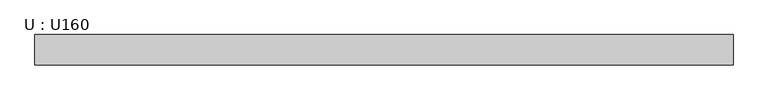
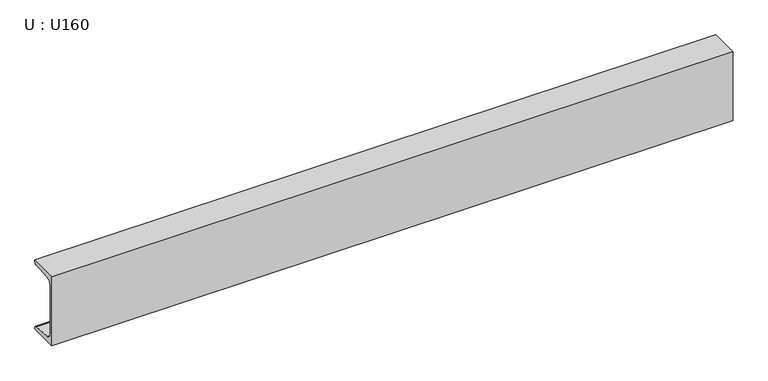
"""IFC4 building model written with IfcOpenShell, lengths in millimetres: beam geometry, U : U160."""

from ifc_helpers import new_model, si_unit, point, frame, frame_2d, origin, place, context, project, spatial, polyline, circle_curve, trimmed, segment, composite_curve, outline, extrude, source, transform, mapped, element, save


def u_u160_1ae2df04(model_context):
    return source(origin(), model_context, "Body", "SweptSolid", [
        extrude(outline(composite_curve([segment(polyline([(-18.4, 80.0), (46.6, 80.0), (46.6, 77.1756821)]), True, "CONTINUOUS"), segment(trimmed(circle_curve(frame_2d((41.1, 77.1756821)), 5.5), [point((46.6, 77.1756821))], [point((41.5382235, 71.693168))], False, "CARTESIAN"), True, "CONTINUOUS"), segment(polyline([(41.5382235, 71.693168), (-1.2366085, 68.2741277)]), True, "CONTINUOUS"), segment(trimmed(circle_curve(frame_2d((-0.4, 57.8075099)), 10.5), [point((-1.2366085, 68.2741277))], [point((-10.9, 57.8075099))], True, "CARTESIAN"), True, "CONTINUOUS"), segment(polyline([(-10.9, 57.8075099), (-10.9, -57.8075099)]), True, "CONTINUOUS"), segment(trimmed(circle_curve(frame_2d((-0.4, -57.8075099)), 10.5), [point((-10.9, -57.8075099))], [point((-1.2366085, -68.2741277))], True, "CARTESIAN"), True, "CONTINUOUS"), segment(polyline([(-1.2366085, -68.2741277), (41.5382235, -71.693168)]), True, "CONTINUOUS"), segment(trimmed(circle_curve(frame_2d((41.1, -77.1756821)), 5.5), [point((41.5382235, -71.693168))], [point((46.6, -77.1756821))], False, "CARTESIAN"), True, "CONTINUOUS"), segment(polyline([(46.6, -77.1756821), (46.6, -80.0), (-18.4, -80.0), (-18.4, 80.0)]), True, "CONTINUOUS")], self_intersect=False)), frame((-798.9999968, 0.0, 0.0), z_axis=(1.0, 0.0, 0.0), x_axis=(0.0, 1.0, 0.0)), (0.0, 0.0, 1.0), 1497.9999939),
    ])


if __name__ == "__main__":
    model = new_model("IFC4")
    model_context = context("Model", 3, world=origin())
    ifc_project = project(units=[si_unit("LENGTHUNIT", "METRE", prefix="MILLI")], contexts=[model_context])
    site = spatial("IfcSite", under=ifc_project)
    building = spatial("IfcBuilding", under=site)
    placement = place(None, origin())
    u_u160_shape = u_u160_1ae2df04(model_context)
    element("IfcBeam", 1, ObjectType="U : U160", at=placement, inside=building, context=model_context, shape_type="MappedRepresentation", body=[
        mapped(u_u160_shape, transform((0.0, 0.0, 0.0), x_axis=(1.0, 0.0, 0.0), y_axis=(0.0, 1.0, 0.0), z_axis=(0.0, 0.0, 1.0))),
    ])
    save(model, "model.ifc")
